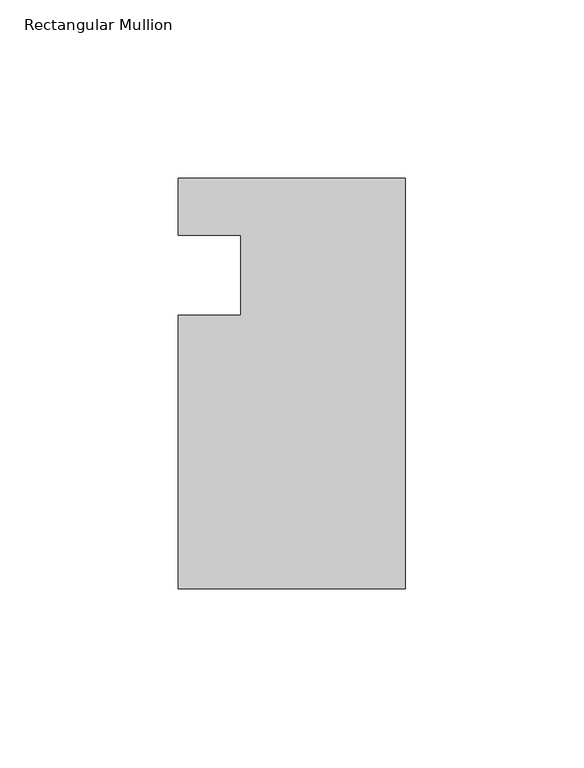
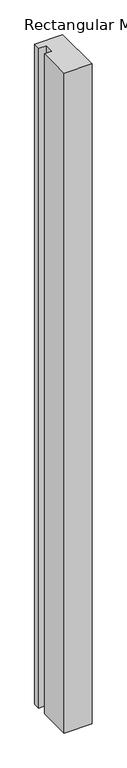
"""IFC4 building model written with IfcOpenShell, lengths in millimetres: member geometry, Rectangular Mullion."""

from ifc_helpers import new_model, si_unit, frame, origin, place, context, project, spatial, polyline, outline, extrude, source, transform, mapped, element, save


def rectangular_mullion_3bd3d3b5(model_context):
    return source(origin(), model_context, "Body", "SweptSolid", [
        extrude(outline(polyline([(-63.5, -114.5309813), (-63.5, -38.0007813), (-46.0375, -38.0007812), (-46.0375, -15.5217812), (-63.5, -15.5217812), (-63.5, 0.3532188), (0.0, 0.3532188), (0.0, -114.5309813), (-63.5, -114.5309813)])), frame((0.0, 0.0, -1581.2163745), z_axis=(0.0, 0.0, 1.0), x_axis=(1.0, 0.0, 0.0)), (0.0, 0.0, 1.0), 1581.2163745),
    ])


if __name__ == "__main__":
    model = new_model("IFC4")
    model_context = context("Model", 3, world=origin())
    ifc_project = project(units=[si_unit("LENGTHUNIT", "METRE", prefix="MILLI")], contexts=[model_context])
    site = spatial("IfcSite", under=ifc_project)
    building = spatial("IfcBuilding", under=site)
    placement = place(None, origin())
    rectangular_mullion_shape = rectangular_mullion_3bd3d3b5(model_context)
    element("IfcMember", 1, ObjectType="Rectangular Mullion", at=placement, inside=building, context=model_context, shape_type="MappedRepresentation", body=[
        mapped(rectangular_mullion_shape, transform((0.0, 0.0, 0.0), x_axis=(1.0, 0.0, 0.0), y_axis=(0.0, 1.0, 0.0), z_axis=(0.0, 0.0, 1.0))),
    ])
    save(model, "model.ifc")
